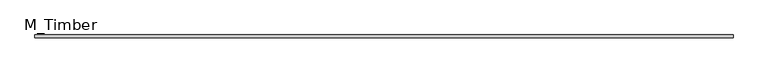
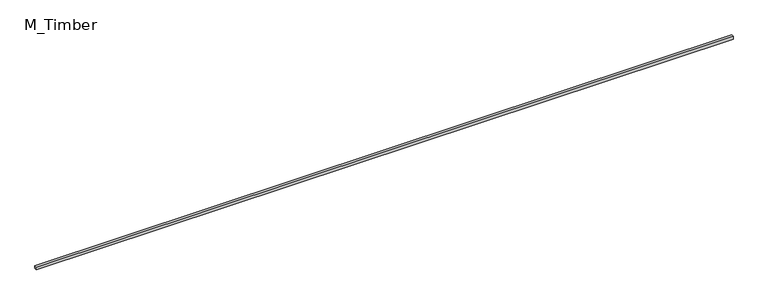
"""IFC4 building model written with IfcOpenShell, lengths in millimetres: beam geometry, M_Timber."""

import ifcopenshell
import ifcopenshell.guid

model = None  # the IFC model being written
_history = None  # IfcOwnerHistory: only IFC2X3 demands one
_inside = {}  # id of a spatial element -> (the spatial element, [elements in it])
_under = {}  # id of a project, library or spatial element -> (it, [spatial elements below it])
_declared = {}  # id of a project -> (the project, [libraries it declares])
_typed = {}  # id of a type object -> (the type object, [elements of that type])
_made_of = {}  # id of a material, layer set ... -> (it, [elements and type objects made of it])


def new_model(schema):
    """Start an empty IFC model of exactly this schema.

    Asked for "IFC4X3", IfcOpenShell would pick the latest addendum, in which some entities
    have other attributes; the version numbers below select the first issue.
    IFC2X3 requires an IfcOwnerHistory on every rooted entity: one is made here for all.
    """
    global model, _history
    if schema == "IFC4X3":
        model = ifcopenshell.file(schema_version=(4, 3, 0, 0))
    else:
        model = ifcopenshell.file(schema=schema)
    _inside.clear()
    _under.clear()
    _declared.clear()
    _typed.clear()
    _made_of.clear()
    _history = None
    if model.schema == "IFC2X3":
        org = make("IfcOrganization", Name="unknown")
        user = make(
            "IfcPersonAndOrganization",
            ThePerson=make("IfcPerson", FamilyName="unknown"),
            TheOrganization=org,
        )
        app = make(
            "IfcApplication",
            ApplicationDeveloper=org,
            Version="unknown",
            ApplicationFullName="unknown",
            ApplicationIdentifier="unknown",
        )
        _history = make(
            "IfcOwnerHistory",
            OwningUser=user,
            OwningApplication=app,
            ChangeAction="ADDED",
            CreationDate=0,
        )
    return model


def make(cls, **values):
    """One entity of the class cls with the attributes given. An attribute that is None is left unset."""
    return model.create_entity(
        cls, **{name: value for name, value in values.items() if value is not None}
    )


def rooted(cls, **values):
    """An entity with a GlobalId (a new one), such as an element, a storey or a relation."""
    return make(cls, GlobalId=ifcopenshell.guid.new(), OwnerHistory=_history, **values)


def si_unit(unit_type, name, prefix=None):
    """IfcSIUnit, for example si_unit("LENGTHUNIT", "METRE", prefix="MILLI")."""
    return make("IfcSIUnit", UnitType=unit_type, Prefix=prefix, Name=name)


def assignment(units):
    """IfcUnitAssignment: the units of a project."""
    return None if units is None else make("IfcUnitAssignment", Units=units)


def point(xyz):
    """IfcCartesianPoint."""
    return None if xyz is None else make("IfcCartesianPoint", Coordinates=xyz)


def direction(xyz):
    """IfcDirection."""
    return None if xyz is None else make("IfcDirection", DirectionRatios=xyz)


def frame(location, z_axis=None, x_axis=None):
    """IfcAxis2Placement3D, a coordinate frame: its origin and axes. An axis left out is left unset."""
    return make(
        "IfcAxis2Placement3D",
        Location=point(location),
        Axis=direction(z_axis),
        RefDirection=direction(x_axis),
    )


def origin():
    """The frame at (0, 0, 0) with its axes left unset."""
    return frame((0.0, 0.0, 0.0))


def place(relative_to, where):
    """IfcLocalPlacement: puts the frame where relative to a parent placement (None: the world)."""
    return make(
        "IfcLocalPlacement", PlacementRelTo=relative_to, RelativePlacement=where
    )


def context(
    kind, dimensions, precision=None, world=None, true_north=None, identifier=None
):
    """IfcGeometricRepresentationContext, for example the 3D "Model" context."""
    return make(
        "IfcGeometricRepresentationContext",
        ContextIdentifier=identifier,
        ContextType=kind,
        CoordinateSpaceDimension=dimensions,
        Precision=precision,
        WorldCoordinateSystem=world,
        TrueNorth=true_north,
    )


def project(units=None, contexts=None):
    """IfcProject with its units and contexts."""
    return rooted(
        "IfcProject",
        Name="project",
        RepresentationContexts=contexts,
        UnitsInContext=assignment(units),
    )


def spatial(cls, under=None, at=None, **own):
    """A site, building, storey or space (cls), placed at a placement, below another one or the project."""
    s = rooted(cls, ObjectPlacement=at, **own)
    if under is not None:
        _under.setdefault(under.id(), (under, []))[1].append(s)
    return s


def polyline(points):
    """IfcPolyline through the points."""
    return make("IfcPolyline", Points=[point(p) for p in points])


def outline(outer, holes=None, kind="AREA"):
    """IfcArbitraryClosedProfileDef: a profile drawn as a closed curve; with holes, ...WithVoids."""
    if holes is None:
        return make("IfcArbitraryClosedProfileDef", ProfileType=kind, OuterCurve=outer)
    return make(
        "IfcArbitraryProfileDefWithVoids",
        ProfileType=kind,
        OuterCurve=outer,
        InnerCurves=holes,
    )


def extrude(swept, where, along, depth):
    """IfcExtrudedAreaSolid: the profile swept, set in the frame where, extruded along a direction by depth."""
    return make(
        "IfcExtrudedAreaSolid",
        SweptArea=swept,
        Position=where,
        ExtrudedDirection=direction(along),
        Depth=depth,
    )


def shape(context_of_items, identifier, shape_type, items):
    """IfcShapeRepresentation: the items that make up one representation, for example the "Body"."""
    return make(
        "IfcShapeRepresentation",
        ContextOfItems=context_of_items,
        RepresentationIdentifier=identifier,
        RepresentationType=shape_type,
        Items=items,
    )


def source(mapping_origin, context_of_items, identifier, shape_type, items):
    """IfcRepresentationMap: a shape defined once, which mapped items show again and again."""
    return make(
        "IfcRepresentationMap",
        MappingOrigin=mapping_origin,
        MappedRepresentation=shape(context_of_items, identifier, shape_type, items),
    )


def transform(
    local_origin,
    x_axis=None,
    y_axis=None,
    z_axis=None,
    scale=None,
    scale2=None,
    scale3=None,
    uniform=True,
):
    """IfcCartesianTransformationOperator3D, or its non-uniform kind. x_axis, y_axis, z_axis: its Axis1, 2, 3."""
    if uniform:
        return make(
            "IfcCartesianTransformationOperator3D",
            Axis1=direction(x_axis),
            Axis2=direction(y_axis),
            LocalOrigin=point(local_origin),
            Scale=scale,
            Axis3=direction(z_axis),
        )
    return make(
        "IfcCartesianTransformationOperator3DnonUniform",
        Axis1=direction(x_axis),
        Axis2=direction(y_axis),
        LocalOrigin=point(local_origin),
        Scale=scale,
        Axis3=direction(z_axis),
        Scale2=scale2,
        Scale3=scale3,
    )


def mapped(mapping_source, mapping_target):
    """IfcMappedItem: shows the shape of a source again, moved by a transform."""
    return make(
        "IfcMappedItem", MappingSource=mapping_source, MappingTarget=mapping_target
    )


def made_of(thing, what):
    """Note that an element or type object is made of a material, layer set ...; save() writes the relation."""
    if what is not None:
        _made_of.setdefault(what.id(), (what, []))[1].append(thing)
    return thing


def element(
    cls,
    number,
    at=None,
    inside=None,
    cuts=None,
    type_object=None,
    material=None,
    context=None,
    identifier="Body",
    shape_type=None,
    held_by="IfcProductDefinitionShape",
    body=None,
    shapes=None,
    **own,
):
    """One element of the class cls, such as IfcWall. Its Tag is "e" and its number.

    at: its placement. inside: the storey or other place that contains it. cuts: it is an
    opening in that element (IfcRelVoidsElement). A single representation is given by context,
    identifier, shape_type and body (its items); several are given by shapes. held_by: the class
    of the entity that holds the representations. save() writes the other relations.
    """
    e = rooted(cls, Tag="e%d" % number, ObjectPlacement=at, **own)
    if body is not None:
        shapes = [shape(context, identifier, shape_type, body)]
    if shapes is not None:
        e.Representation = make(held_by, Representations=shapes)
    if inside is not None:
        _inside.setdefault(inside.id(), (inside, []))[1].append(e)
    if cuts is not None:
        rooted(
            "IfcRelVoidsElement", RelatingBuildingElement=cuts, RelatedOpeningElement=e
        )
    if type_object is not None:
        _typed.setdefault(type_object.id(), (type_object, []))[1].append(e)
    return made_of(e, material)


def aggregate(whole, parts):
    """IfcRelAggregates: a whole, such as a stair, and the parts it consists of."""
    return rooted("IfcRelAggregates", RelatingObject=whole, RelatedObjects=parts)


def save(model, path):
    """Write the relations noted so far, then the file.

    IfcRelAggregates (storeys below a building ...), IfcRelContainedInSpatialStructure (elements
    in a storey), IfcRelDefinesByType, IfcRelAssociatesMaterial and IfcRelDeclares: one each for
    every whole, place, type object, material and project.
    """
    for whole, parts in _under.values():
        aggregate(whole, parts)
    for where, things in _inside.values():
        rooted(
            "IfcRelContainedInSpatialStructure",
            RelatedElements=things,
            RelatingStructure=where,
        )
    for kind, things in _typed.values():
        rooted("IfcRelDefinesByType", RelatedObjects=things, RelatingType=kind)
    for what, things in _made_of.values():
        rooted("IfcRelAssociatesMaterial", RelatedObjects=things, RelatingMaterial=what)
    for by, libraries in _declared.values():
        rooted("IfcRelDeclares", RelatingContext=by, RelatedDefinitions=libraries)
    model.write(path)


def m_timber_4ef52eec(model_context):
    return source(origin(), model_context, "Body", "SweptSolid", [
        extrude(outline(polyline([(5092.7161789, 20.0), (5092.7161789, -20.0), (-5092.7161789, -20.0), (-5092.7161789, 20.0), (5092.7161789, 20.0)])), frame((0.0, 0.0, -20.0), z_axis=(0.0, 0.0, 1.0), x_axis=(1.0, 0.0, 0.0)), (0.0, 0.0, 1.0), 40.0),
    ])


if __name__ == "__main__":
    model = new_model("IFC4")
    model_context = context("Model", 3, world=origin())
    ifc_project = project(units=[si_unit("LENGTHUNIT", "METRE", prefix="MILLI")], contexts=[model_context])
    site = spatial("IfcSite", under=ifc_project)
    building = spatial("IfcBuilding", under=site)
    placement = place(None, origin())
    m_timber_shape = m_timber_4ef52eec(model_context)
    element("IfcBeam", 1, ObjectType="M_Timber", at=placement, inside=building, context=model_context, shape_type="MappedRepresentation", body=[
        mapped(m_timber_shape, transform((0.0, 0.0, 0.0), x_axis=(1.0, 0.0, 0.0), y_axis=(0.0, 1.0, 0.0), z_axis=(0.0, 0.0, 1.0))),
    ])
    save(model, "model.ifc")
